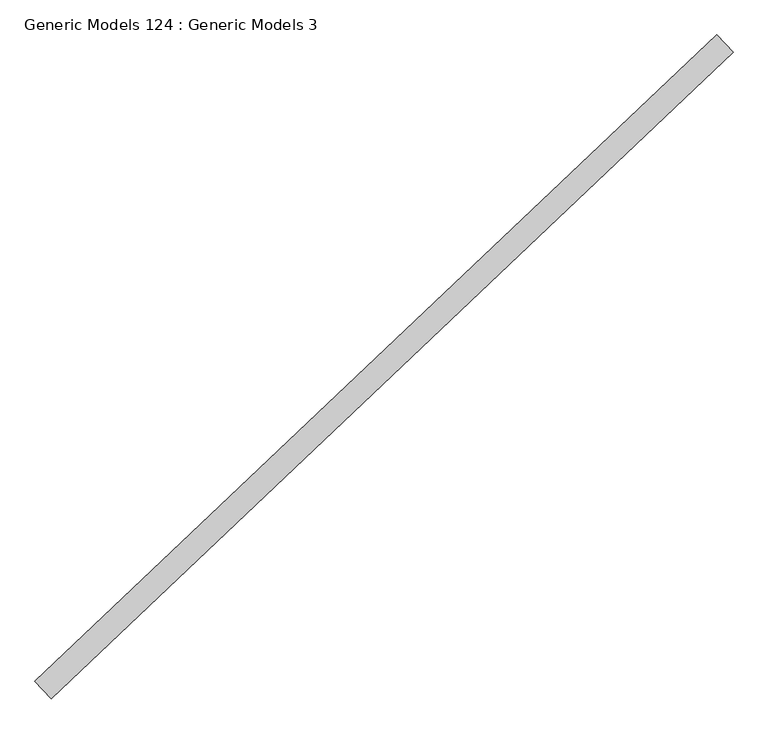
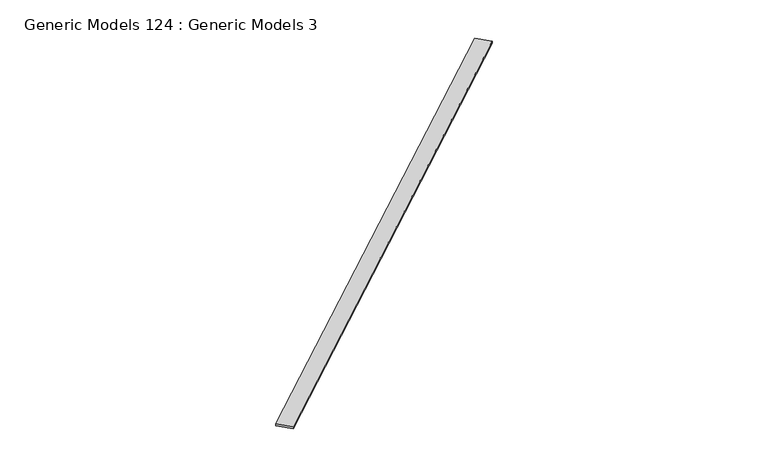
"""IFC4 building model written with IfcOpenShell, lengths in millimetres: proxy geometry, Generic Models 124 : Generic Models 3."""

import ifcopenshell
import ifcopenshell.guid

model = None  # the IFC model being written
_history = None  # IfcOwnerHistory: only IFC2X3 demands one
_inside = {}  # id of a spatial element -> (the spatial element, [elements in it])
_under = {}  # id of a project, library or spatial element -> (it, [spatial elements below it])
_declared = {}  # id of a project -> (the project, [libraries it declares])
_typed = {}  # id of a type object -> (the type object, [elements of that type])
_made_of = {}  # id of a material, layer set ... -> (it, [elements and type objects made of it])


def new_model(schema):
    """Start an empty IFC model of exactly this schema.

    Asked for "IFC4X3", IfcOpenShell would pick the latest addendum, in which some entities
    have other attributes; the version numbers below select the first issue.
    IFC2X3 requires an IfcOwnerHistory on every rooted entity: one is made here for all.
    """
    global model, _history
    if schema == "IFC4X3":
        model = ifcopenshell.file(schema_version=(4, 3, 0, 0))
    else:
        model = ifcopenshell.file(schema=schema)
    _inside.clear()
    _under.clear()
    _declared.clear()
    _typed.clear()
    _made_of.clear()
    _history = None
    if model.schema == "IFC2X3":
        org = make("IfcOrganization", Name="unknown")
        user = make(
            "IfcPersonAndOrganization",
            ThePerson=make("IfcPerson", FamilyName="unknown"),
            TheOrganization=org,
        )
        app = make(
            "IfcApplication",
            ApplicationDeveloper=org,
            Version="unknown",
            ApplicationFullName="unknown",
            ApplicationIdentifier="unknown",
        )
        _history = make(
            "IfcOwnerHistory",
            OwningUser=user,
            OwningApplication=app,
            ChangeAction="ADDED",
            CreationDate=0,
        )
    return model


def make(cls, **values):
    """One entity of the class cls with the attributes given. An attribute that is None is left unset."""
    return model.create_entity(
        cls, **{name: value for name, value in values.items() if value is not None}
    )


def rooted(cls, **values):
    """An entity with a GlobalId (a new one), such as an element, a storey or a relation."""
    return make(cls, GlobalId=ifcopenshell.guid.new(), OwnerHistory=_history, **values)


def si_unit(unit_type, name, prefix=None):
    """IfcSIUnit, for example si_unit("LENGTHUNIT", "METRE", prefix="MILLI")."""
    return make("IfcSIUnit", UnitType=unit_type, Prefix=prefix, Name=name)


def assignment(units):
    """IfcUnitAssignment: the units of a project."""
    return None if units is None else make("IfcUnitAssignment", Units=units)


def point(xyz):
    """IfcCartesianPoint."""
    return None if xyz is None else make("IfcCartesianPoint", Coordinates=xyz)


def direction(xyz):
    """IfcDirection."""
    return None if xyz is None else make("IfcDirection", DirectionRatios=xyz)


def frame(location, z_axis=None, x_axis=None):
    """IfcAxis2Placement3D, a coordinate frame: its origin and axes. An axis left out is left unset."""
    return make(
        "IfcAxis2Placement3D",
        Location=point(location),
        Axis=direction(z_axis),
        RefDirection=direction(x_axis),
    )


def origin():
    """The frame at (0, 0, 0) with its axes left unset."""
    return frame((0.0, 0.0, 0.0))


def place(relative_to, where):
    """IfcLocalPlacement: puts the frame where relative to a parent placement (None: the world)."""
    return make(
        "IfcLocalPlacement", PlacementRelTo=relative_to, RelativePlacement=where
    )


def context(
    kind, dimensions, precision=None, world=None, true_north=None, identifier=None
):
    """IfcGeometricRepresentationContext, for example the 3D "Model" context."""
    return make(
        "IfcGeometricRepresentationContext",
        ContextIdentifier=identifier,
        ContextType=kind,
        CoordinateSpaceDimension=dimensions,
        Precision=precision,
        WorldCoordinateSystem=world,
        TrueNorth=true_north,
    )


def project(units=None, contexts=None):
    """IfcProject with its units and contexts."""
    return rooted(
        "IfcProject",
        Name="project",
        RepresentationContexts=contexts,
        UnitsInContext=assignment(units),
    )


def spatial(cls, under=None, at=None, **own):
    """A site, building, storey or space (cls), placed at a placement, below another one or the project."""
    s = rooted(cls, ObjectPlacement=at, **own)
    if under is not None:
        _under.setdefault(under.id(), (under, []))[1].append(s)
    return s


def polyline(points):
    """IfcPolyline through the points."""
    return make("IfcPolyline", Points=[point(p) for p in points])


def outline(outer, holes=None, kind="AREA"):
    """IfcArbitraryClosedProfileDef: a profile drawn as a closed curve; with holes, ...WithVoids."""
    if holes is None:
        return make("IfcArbitraryClosedProfileDef", ProfileType=kind, OuterCurve=outer)
    return make(
        "IfcArbitraryProfileDefWithVoids",
        ProfileType=kind,
        OuterCurve=outer,
        InnerCurves=holes,
    )


def extrude(swept, where, along, depth):
    """IfcExtrudedAreaSolid: the profile swept, set in the frame where, extruded along a direction by depth."""
    return make(
        "IfcExtrudedAreaSolid",
        SweptArea=swept,
        Position=where,
        ExtrudedDirection=direction(along),
        Depth=depth,
    )


def shape(context_of_items, identifier, shape_type, items):
    """IfcShapeRepresentation: the items that make up one representation, for example the "Body"."""
    return make(
        "IfcShapeRepresentation",
        ContextOfItems=context_of_items,
        RepresentationIdentifier=identifier,
        RepresentationType=shape_type,
        Items=items,
    )


def source(mapping_origin, context_of_items, identifier, shape_type, items):
    """IfcRepresentationMap: a shape defined once, which mapped items show again and again."""
    return make(
        "IfcRepresentationMap",
        MappingOrigin=mapping_origin,
        MappedRepresentation=shape(context_of_items, identifier, shape_type, items),
    )


def transform(
    local_origin,
    x_axis=None,
    y_axis=None,
    z_axis=None,
    scale=None,
    scale2=None,
    scale3=None,
    uniform=True,
):
    """IfcCartesianTransformationOperator3D, or its non-uniform kind. x_axis, y_axis, z_axis: its Axis1, 2, 3."""
    if uniform:
        return make(
            "IfcCartesianTransformationOperator3D",
            Axis1=direction(x_axis),
            Axis2=direction(y_axis),
            LocalOrigin=point(local_origin),
            Scale=scale,
            Axis3=direction(z_axis),
        )
    return make(
        "IfcCartesianTransformationOperator3DnonUniform",
        Axis1=direction(x_axis),
        Axis2=direction(y_axis),
        LocalOrigin=point(local_origin),
        Scale=scale,
        Axis3=direction(z_axis),
        Scale2=scale2,
        Scale3=scale3,
    )


def mapped(mapping_source, mapping_target):
    """IfcMappedItem: shows the shape of a source again, moved by a transform."""
    return make(
        "IfcMappedItem", MappingSource=mapping_source, MappingTarget=mapping_target
    )


def made_of(thing, what):
    """Note that an element or type object is made of a material, layer set ...; save() writes the relation."""
    if what is not None:
        _made_of.setdefault(what.id(), (what, []))[1].append(thing)
    return thing


def element(
    cls,
    number,
    at=None,
    inside=None,
    cuts=None,
    type_object=None,
    material=None,
    context=None,
    identifier="Body",
    shape_type=None,
    held_by="IfcProductDefinitionShape",
    body=None,
    shapes=None,
    **own,
):
    """One element of the class cls, such as IfcWall. Its Tag is "e" and its number.

    at: its placement. inside: the storey or other place that contains it. cuts: it is an
    opening in that element (IfcRelVoidsElement). A single representation is given by context,
    identifier, shape_type and body (its items); several are given by shapes. held_by: the class
    of the entity that holds the representations. save() writes the other relations.
    """
    e = rooted(cls, Tag="e%d" % number, ObjectPlacement=at, **own)
    if body is not None:
        shapes = [shape(context, identifier, shape_type, body)]
    if shapes is not None:
        e.Representation = make(held_by, Representations=shapes)
    if inside is not None:
        _inside.setdefault(inside.id(), (inside, []))[1].append(e)
    if cuts is not None:
        rooted(
            "IfcRelVoidsElement", RelatingBuildingElement=cuts, RelatedOpeningElement=e
        )
    if type_object is not None:
        _typed.setdefault(type_object.id(), (type_object, []))[1].append(e)
    return made_of(e, material)


def aggregate(whole, parts):
    """IfcRelAggregates: a whole, such as a stair, and the parts it consists of."""
    return rooted("IfcRelAggregates", RelatingObject=whole, RelatedObjects=parts)


def save(model, path):
    """Write the relations noted so far, then the file.

    IfcRelAggregates (storeys below a building ...), IfcRelContainedInSpatialStructure (elements
    in a storey), IfcRelDefinesByType, IfcRelAssociatesMaterial and IfcRelDeclares: one each for
    every whole, place, type object, material and project.
    """
    for whole, parts in _under.values():
        aggregate(whole, parts)
    for where, things in _inside.values():
        rooted(
            "IfcRelContainedInSpatialStructure",
            RelatedElements=things,
            RelatingStructure=where,
        )
    for kind, things in _typed.values():
        rooted("IfcRelDefinesByType", RelatedObjects=things, RelatingType=kind)
    for what, things in _made_of.values():
        rooted("IfcRelAssociatesMaterial", RelatedObjects=things, RelatingMaterial=what)
    for by, libraries in _declared.values():
        rooted("IfcRelDeclares", RelatingContext=by, RelatedDefinitions=libraries)
    model.write(path)


def generic_models_124_generic_models_3_39eb9cb8(model_context):
    return source(origin(), model_context, "Body", "SweptSolid", [
        extrude(outline(polyline([(105248.5316286, 58100.6699147), (105327.7637383, 58017.1766922), (102041.2919412, 54898.4314072), (101962.0598315, 54981.9246297), (105248.5316286, 58100.6699147)])), frame((0.0, 0.0, 18521.0638881), z_axis=(0.0, 0.0, 1.0), x_axis=(1.0, 0.0, 0.0)), (0.0, 0.0, 1.0), 15.875),
    ])


if __name__ == "__main__":
    model = new_model("IFC4")
    model_context = context("Model", 3, world=origin())
    ifc_project = project(units=[si_unit("LENGTHUNIT", "METRE", prefix="MILLI")], contexts=[model_context])
    site = spatial("IfcSite", under=ifc_project)
    building = spatial("IfcBuilding", under=site)
    placement = place(None, origin())
    generic_models_124_generic_models_3_shape = generic_models_124_generic_models_3_39eb9cb8(model_context)
    element("IfcBuildingElementProxy", 1, Name="Generic Models 124 : Generic Models 3", ObjectType="Generic Models 124 : Generic Models 3", at=placement, inside=building, context=model_context, shape_type="MappedRepresentation", body=[
        mapped(generic_models_124_generic_models_3_shape, transform((0.0, 0.0, 0.0), x_axis=(1.0, 0.0, 0.0), y_axis=(0.0, 1.0, 0.0), z_axis=(0.0, 0.0, 1.0))),
    ])
    save(model, "model.ifc")
